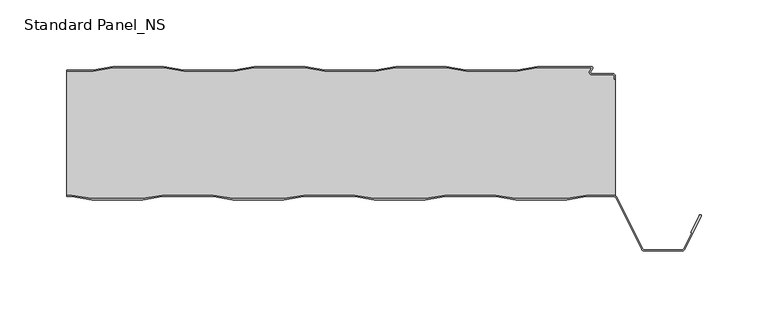
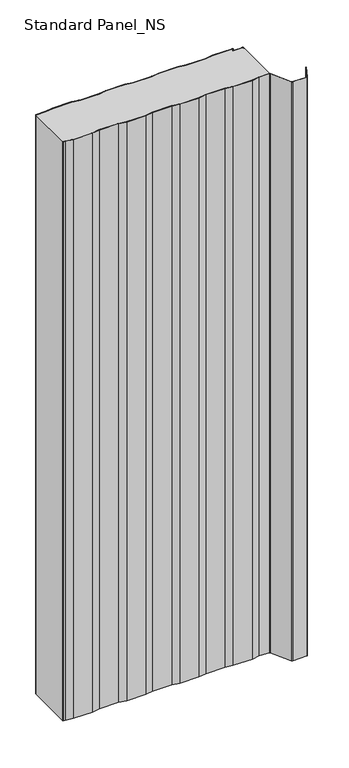
"""IFC4 building model written with IfcOpenShell, lengths in millimetres: proxy geometry, Standard Panel_NS."""

from ifc_helpers import new_model, si_unit, point, frame, frame_2d, origin, origin_with_axes, place, context, project, spatial, polyline, circle_curve, trimmed, segment, composite_curve, outline, extrude, source, transform, mapped, element, save
from ifc_brep_helpers import plane_surface, cylinder_surface, revolved_surface, advanced_brep


def standard_panel_ns_71d8a7c0(model_context):
    return source(origin(), model_context, "Body", "SolidModel", [
        extrude(outline(composite_curve([segment(polyline([(-203.6028864, -3.3), (-223.4042607, -3.3), (-223.4042607, -2.5), (-203.6690964, -2.5), (-188.6690964, 0.0), (-150.6690964, 0.0), (-135.6690964, -2.5), (-97.6690964, -2.5), (-82.6690964, 0.0), (-44.6690964, 0.0), (-29.6690964, -2.5), (8.3309036, -2.5), (23.3309036, 0.0), (61.3309036, 0.0), (76.3309036, -2.5), (114.3309036, -2.5), (129.3309036, 0.0), (170.1370388, 0.0)]), True, "CONTINUOUS"), segment(trimmed(circle_curve(frame_2d((170.1370388, -1.0)), 1.0), [point((170.1370388, 0.0))], [point((170.9759217, -1.5443119))], False, "CARTESIAN"), True, "CONTINUOUS"), segment(polyline([(170.9759217, -1.5443119), (169.5409513, -3.7558601)]), True, "CONTINUOUS"), segment(trimmed(circle_curve(frame_2d((170.3798342, -4.3001721)), 1.0), [point((169.5409513, -3.7558601))], [point((170.3798342, -5.3001721))], True, "CARTESIAN"), True, "CONTINUOUS"), segment(polyline([(170.3798342, -5.3001721), (185.9659043, -5.3001721)]), True, "CONTINUOUS"), segment(trimmed(circle_curve(frame_2d((185.9659043, -7.4001714)), 2.0999993), [point((185.9659043, -5.3001721))], [point((188.0659036, -7.4001714))], False, "CARTESIAN"), True, "CONTINUOUS"), segment(polyline([(188.0659036, -7.4001714), (188.0659036, -9.4001722), (187.2659036, -9.4001722), (187.2659036, -7.4001714)]), True, "CONTINUOUS"), segment(trimmed(circle_curve(frame_2d((185.9659043, -7.4001714)), 1.2999993), [point((187.2659036, -7.4001714))], [point((185.9659043, -6.1001721))], True, "CARTESIAN"), True, "CONTINUOUS"), segment(polyline([(185.9659043, -6.1001721), (170.3798342, -6.1001721)]), True, "CONTINUOUS"), segment(trimmed(circle_curve(frame_2d((170.3798342, -4.3001721)), 1.8), [point((170.3798342, -6.1001721))], [point((168.869845, -3.3204106))], False, "CARTESIAN"), True, "CONTINUOUS"), segment(polyline([(168.869845, -3.3204106), (170.5052217, -0.8), (129.3971136, -0.8), (114.3971136, -3.3), (76.2646936, -3.3), (61.2646936, -0.8), (23.3971136, -0.8), (8.3971136, -3.3), (-29.7353064, -3.3), (-44.7353064, -0.8), (-82.6028864, -0.8), (-97.6028864, -3.3), (-135.7353064, -3.3), (-150.7353064, -0.8), (-188.6028864, -0.8), (-203.6028864, -3.3)]), True, "CONTINUOUS")], self_intersect=False)), origin_with_axes(), (0.0, 0.0, 1.0), 1219.2),
        extrude(outline(composite_curve([segment(polyline([(-219.5261524, -97.5), (-223.4042607, -97.5), (-223.4042607, -96.7), (-219.4592357, -96.7), (-204.6198427, -99.2), (-166.5446313, -99.2), (-151.7052383, -96.7), (-113.4592357, -96.7), (-98.6198427, -99.2), (-60.5446313, -99.2), (-45.7052383, -96.7), (-7.4592357, -96.7), (7.3801573, -99.2), (45.4553687, -99.2), (60.2947617, -96.7), (98.5407643, -96.7), (113.3801573, -99.2), (151.4553687, -99.2), (166.2947617, -96.7), (186.5082999, -96.7)]), True, "CONTINUOUS"), segment(trimmed(circle_curve(frame_2d((186.5082999, -99.8)), 3.1), [point((186.5082999, -96.7))], [point((189.28232, -98.4162325))], False, "CARTESIAN"), True, "CONTINUOUS"), segment(polyline([(189.28232, -98.4162325), (208.4846117, -136.910808)]), True, "CONTINUOUS"), segment(trimmed(circle_curve(frame_2d((209.8268795, -136.241243)), 1.5), [point((208.4846117, -136.910808))], [point((209.8268795, -137.741243))], True, "CARTESIAN"), True, "CONTINUOUS"), segment(polyline([(209.8268795, -137.741243), (237.9816419, -137.741243)]), True, "CONTINUOUS"), segment(trimmed(circle_curve(frame_2d((237.9816419, -136.241243)), 1.5), [point((237.9816419, -137.741243))], [point((239.3236176, -136.9113932))], True, "CARTESIAN"), True, "CONTINUOUS"), segment(polyline([(239.3236176, -136.9113932), (245.3896952, -124.7640727), (244.6739749, -124.4066593), (251.018063, -111.7026227)]), True, "CONTINUOUS"), segment(trimmed(circle_curve(frame_2d((251.7337834, -112.0600361)), 0.8), [point((251.018063, -111.7026227))], [point((252.4495038, -112.4174495))], False, "CARTESIAN"), True, "CONTINUOUS"), segment(polyline([(252.4495038, -112.4174495), (240.039338, -137.2688066)]), True, "CONTINUOUS"), segment(trimmed(circle_curve(frame_2d((237.9816419, -136.241243)), 2.3), [point((240.039338, -137.2688066))], [point((237.9816419, -138.541243))], False, "CARTESIAN"), True, "CONTINUOUS"), segment(polyline([(237.9816419, -138.541243), (209.8268795, -138.541243)]), True, "CONTINUOUS"), segment(trimmed(circle_curve(frame_2d((209.8268795, -136.241243)), 2.3), [point((209.8268795, -138.541243))], [point((207.7687355, -137.2679093))], False, "CARTESIAN"), True, "CONTINUOUS"), segment(polyline([(207.7687355, -137.2679093), (188.5664438, -98.7733338)]), True, "CONTINUOUS"), segment(trimmed(circle_curve(frame_2d((186.5082999, -99.8)), 2.3), [point((188.5664438, -98.7733338))], [point((186.5082999, -97.5))], True, "CARTESIAN"), True, "CONTINUOUS"), segment(polyline([(186.5082999, -97.5), (166.3616785, -97.5), (151.5222854, -100.0), (113.3132406, -100.0), (98.4738476, -97.5), (60.3616785, -97.5), (45.5222854, -100.0), (7.3132406, -100.0), (-7.5261524, -97.5), (-45.6383215, -97.5), (-60.4777146, -100.0), (-98.6867594, -100.0), (-113.5261524, -97.5), (-151.6383215, -97.5), (-166.4777146, -100.0), (-204.6867594, -100.0), (-219.5261524, -97.5)]), True, "CONTINUOUS")], self_intersect=False)), origin_with_axes(), (0.0, 0.0, 1.0), 1219.2),
        advanced_brep(
        [(188.136916, -97.1622719, 1219.2), (188.1042607, -9.4, 1219.2), (187.2659036, -9.4, 1219.2), (187.2659036, -7.4001714, 1219.2), (185.9659043, -6.1001721, 1219.2), (170.3798342, -6.1001721, 1219.2), (168.869845, -3.3204106, 1219.2), (170.5052217, -0.8, 1219.2), (129.3971136, -0.8, 1219.2), (114.3971136, -3.3, 1219.2), (76.2646936, -3.3, 1219.2), (61.2646936, -0.8, 1219.2), (23.3971136, -0.8, 1219.2), (8.3971136, -3.3, 1219.2), (-29.7353064, -3.3, 1219.2), (-44.7353064, -0.8, 1219.2), (-82.6028864, -0.8, 1219.2), (-97.6028864, -3.3, 1219.2), (-135.7353064, -3.3, 1219.2), (-150.7353064, -0.8, 1219.2), (-188.6028864, -0.8, 1219.2), (-203.6028864, -3.3, 1219.2), (-223.4042607, -3.3, 1219.2), (-223.4042607, -96.7, 1219.2), (-219.4592357, -96.7, 1219.2), (-204.6198427, -99.2, 1219.2), (-166.5446313, -99.2, 1219.2), (-151.7052383, -96.7, 1219.2), (-113.4592357, -96.7, 1219.2), (-98.6198427, -99.2, 1219.2), (-60.5446313, -99.2, 1219.2), (-45.7052383, -96.7, 1219.2), (-7.4592357, -96.7, 1219.2), (7.3801573, -99.2, 1219.2), (45.4553687, -99.2, 1219.2), (60.2947617, -96.7, 1219.2), (98.5407643, -96.7, 1219.2), (113.3801573, -99.2, 1219.2), (151.4553687, -99.2, 1219.2), (166.2947617, -96.7, 1219.2), (186.5082999, -96.7, 1219.2), (-219.4592357, -96.7, 0.0), (-223.4042607, -96.7, 0.0), (-223.4042607, -3.3, 0.0), (-203.6028864, -3.3, 0.0), (-188.6028864, -0.8, 0.0), (-150.7353064, -0.8, 0.0), (-135.7353064, -3.3, 0.0), (-97.6028864, -3.3, 0.0), (-82.6028864, -0.8, 0.0), (-44.7353064, -0.8, 0.0), (-29.7353064, -3.3, 0.0), (8.3971136, -3.3, 0.0), (23.3971136, -0.8, 0.0), (61.2646936, -0.8, 0.0), (76.2646936, -3.3, 0.0), (114.3971136, -3.3, 0.0), (129.3971136, -0.8, 0.0), (170.5052217, -0.8, 0.0), (168.869845, -3.3204106, 0.0), (170.3798342, -6.1001721, 0.0), (185.9659043, -6.1001721, 0.0), (187.2659036, -7.4001714, 0.0), (187.2659036, -9.4001722, 0.0), (188.1042607, -9.4, 0.0), (188.136916, -97.1622719, 0.0), (186.5082999, -96.7, 0.0), (166.2947617, -96.7, 0.0), (151.4553687, -99.2, 0.0), (113.3801573, -99.2, 0.0), (98.5407643, -96.7, 0.0), (60.2947617, -96.7, 0.0), (45.4553687, -99.2, 0.0), (7.3801573, -99.2, 0.0), (-7.4592357, -96.7, 0.0), (-45.7052383, -96.7, 0.0), (-60.5446313, -99.2, 0.0), (-98.6198427, -99.2, 0.0), (-113.4592357, -96.7, 0.0), (-151.7052383, -96.7, 0.0), (-166.5446313, -99.2, 0.0), (-204.6198427, -99.2, 0.0)],
        [
            (0, 1),
            (1, 2),
            (2, 3),
            (3, 4, circle_curve(frame((185.9659043, -7.4001714, 1219.2), z_axis=(0.0, 0.0, 1.0), x_axis=(-1.0, 0.0, 0.0)), 1.2999993)),
            (4, 5),
            (5, 6, circle_curve(frame((170.3798342, -4.3001721, 1219.2), z_axis=(0.0, 0.0, -1.0), x_axis=(-1.0, 0.0, 0.0)), 1.8)),
            (6, 7),
            (7, 8),
            (8, 9),
            (9, 10),
            (10, 11),
            (11, 12),
            (12, 13),
            (13, 14),
            (14, 15),
            (15, 16),
            (16, 17),
            (17, 18),
            (18, 19),
            (19, 20),
            (20, 21),
            (21, 22),
            (22, 23),
            (23, 24),
            (24, 25),
            (25, 26),
            (26, 27),
            (27, 28),
            (28, 29),
            (29, 30),
            (30, 31),
            (31, 32),
            (32, 33),
            (33, 34),
            (34, 35),
            (35, 36),
            (36, 37),
            (37, 38),
            (38, 39),
            (39, 40),
            (40, 0, circle_curve(frame((186.5082999, -99.8, 1219.2), z_axis=(0.0, 0.0, -1.0), x_axis=(-1.0, 0.0, 0.0)), 3.1)),
            (41, 42),
            (42, 43),
            (43, 44),
            (44, 45),
            (45, 46),
            (46, 47),
            (47, 48),
            (48, 49),
            (49, 50),
            (50, 51),
            (51, 52),
            (52, 53),
            (53, 54),
            (54, 55),
            (55, 56),
            (56, 57),
            (57, 58),
            (58, 59),
            (59, 60, circle_curve(frame((170.3798342, -4.3001721, 0.0), z_axis=(0.0, 0.0, 1.0), x_axis=(-1.0, 0.0, 0.0)), 1.8)),
            (60, 61),
            (61, 62, circle_curve(frame((185.9659043, -7.4001714, 0.0), z_axis=(0.0, 0.0, -1.0), x_axis=(-1.0, 0.0, 0.0)), 1.2999993)),
            (62, 63),
            (63, 64),
            (64, 65),
            (65, 66, circle_curve(frame((186.5082999, -99.8, 0.0), z_axis=(0.0, 0.0, 1.0), x_axis=(-1.0, 0.0, 0.0)), 3.1)),
            (66, 67),
            (67, 68),
            (68, 69),
            (69, 70),
            (70, 71),
            (71, 72),
            (72, 73),
            (73, 74),
            (74, 75),
            (75, 76),
            (76, 77),
            (77, 78),
            (78, 79),
            (79, 80),
            (80, 81),
            (81, 41),
            (64, 1),
            (0, 65),
            (40, 66),
            (39, 67),
            (38, 68),
            (37, 69),
            (36, 70),
            (35, 71),
            (34, 72),
            (33, 73),
            (32, 74),
            (31, 75),
            (30, 76),
            (29, 77),
            (28, 78),
            (27, 79),
            (26, 80),
            (25, 81),
            (24, 41),
            (23, 42),
            (63, 2),
            (43, 22),
            (21, 44),
            (20, 45),
            (19, 46),
            (18, 47),
            (17, 48),
            (16, 49),
            (15, 50),
            (14, 51),
            (13, 52),
            (12, 53),
            (11, 54),
            (10, 55),
            (9, 56),
            (8, 57),
            (7, 58),
            (6, 59),
            (5, 60),
            (4, 61),
            (3, 62),
        ],
        [
            plane_surface(frame((-276.0957393, -99.2, 1219.2), z_axis=(0.0, 0.0, 1.0), x_axis=(0.0, -1.0, 0.0))),
            plane_surface(frame((-276.0957393, -99.2, 0.0), z_axis=(0.0, 0.0, -1.0), x_axis=(0.0, -1.0, 0.0))),
            plane_surface(frame((188.136916, -94.25, 1219.2), z_axis=(1.0, 0.0, 0.0), x_axis=(0.0, 0.0, -1.0))),
            revolved_surface(polyline([(183.4082999, -99.8, 0.0), (183.4082999, -99.8, 1219.2)]), (186.5082999, -99.8, 1219.2), (0.0, 0.0, -1.0)),
            plane_surface(frame((186.5082999, -96.7, 1219.2), z_axis=(0.0, -1.0, 0.0), x_axis=(0.0, 0.0, -1.0))),
            plane_surface(frame((166.2947617, -96.7, 1219.2), z_axis=(0.16612942863435848, -0.9861039564577467, 0.0), x_axis=(0.0, 0.0, -1.0))),
            plane_surface(frame((151.4553687, -99.2, 1219.2), z_axis=(0.0, -1.0, 0.0), x_axis=(0.0, 0.0, -1.0))),
            plane_surface(frame((113.3801573, -99.2, 1219.2), z_axis=(-0.16612942863454067, -0.9861039564577161, 0.0), x_axis=(0.0, 0.0, -1.0))),
            plane_surface(frame((98.5407643, -96.7, 1219.2), z_axis=(0.0, -1.0, 0.0), x_axis=(0.0, 0.0, -1.0))),
            plane_surface(frame((60.2947617, -96.7, 1219.2), z_axis=(0.1661294286345235, -0.986103956457719, 0.0), x_axis=(0.0, 0.0, -1.0))),
            plane_surface(frame((45.4553687, -99.2, 1219.2), z_axis=(0.0, -1.0, 0.0), x_axis=(0.0, 0.0, -1.0))),
            plane_surface(frame((7.3801573, -99.2, 1219.2), z_axis=(-0.16612942863454067, -0.9861039564577161, 0.0), x_axis=(0.0, 0.0, -1.0))),
            plane_surface(frame((-7.4592357, -96.7, 1219.2), z_axis=(0.0, -1.0, 0.0), x_axis=(0.0, 0.0, -1.0))),
            plane_surface(frame((-45.7052383, -96.7, 1219.2), z_axis=(0.16612942863435848, -0.9861039564577467, 0.0), x_axis=(0.0, 0.0, -1.0))),
            plane_surface(frame((-60.5446313, -99.2, 1219.2), z_axis=(0.0, -1.0, 0.0), x_axis=(0.0, 0.0, -1.0))),
            plane_surface(frame((-98.6198427, -99.2, 1219.2), z_axis=(-0.16612942863472926, -0.9861039564576843, 0.0), x_axis=(0.0, 0.0, -1.0))),
            plane_surface(frame((-113.4592357, -96.7, 1219.2), z_axis=(0.0, -1.0, 0.0), x_axis=(0.0, 0.0, -1.0))),
            plane_surface(frame((-151.7052383, -96.7, 1219.2), z_axis=(0.1661294286345235, -0.986103956457719, 0.0), x_axis=(0.0, 0.0, -1.0))),
            plane_surface(frame((-166.5446313, -99.2, 1219.2), z_axis=(0.0, -1.0, 0.0), x_axis=(0.0, 0.0, -1.0))),
            plane_surface(frame((-204.6198427, -99.2, 1219.2), z_axis=(-0.16612942863435204, -0.9861039564577478, 0.0), x_axis=(0.0, 0.0, -1.0))),
            plane_surface(frame((-219.4592357, -96.7, 1219.2), z_axis=(0.0, -1.0, 0.0), x_axis=(0.0, 0.0, -1.0))),
            plane_surface(frame((-811.8956486, -9.4, 1219.2), z_axis=(0.0, 1.0, 0.0), x_axis=(0.0, 0.0, -1.0))),
            plane_surface(frame((-241.7353064, -3.3, 1219.2), z_axis=(0.0, 1.0, 0.0), x_axis=(0.0, 0.0, -1.0))),
            plane_surface(frame((-203.6028864, -3.3, 1219.2), z_axis=(-0.1643989873053467, 0.9863939238321456, 0.0), x_axis=(0.0, 0.0, -1.0))),
            plane_surface(frame((-188.6028864, -0.8, 1219.2), z_axis=(0.0, 1.0, 0.0), x_axis=(0.0, 0.0, -1.0))),
            plane_surface(frame((-150.7353064, -0.8, 1219.2), z_axis=(0.1643989873053679, 0.9863939238321421, 0.0), x_axis=(0.0, 0.0, -1.0))),
            plane_surface(frame((-135.7353064, -3.3, 1219.2), z_axis=(0.0, 1.0, 0.0), x_axis=(0.0, 0.0, -1.0))),
            plane_surface(frame((-97.6028864, -3.3, 1219.2), z_axis=(-0.1643989873053467, 0.9863939238321456, 0.0), x_axis=(0.0, 0.0, -1.0))),
            plane_surface(frame((-82.6028864, -0.8, 1219.2), z_axis=(0.0, 1.0, 0.0), x_axis=(0.0, 0.0, -1.0))),
            plane_surface(frame((-44.7353064, -0.8, 1219.2), z_axis=(0.16439898730518315, 0.9863939238321728, 0.0), x_axis=(0.0, 0.0, -1.0))),
            plane_surface(frame((-29.7353064, -3.3, 1219.2), z_axis=(0.0, 1.0, 0.0), x_axis=(0.0, 0.0, -1.0))),
            plane_surface(frame((8.3971136, -3.3, 1219.2), z_axis=(-0.1643989873053467, 0.9863939238321456, 0.0), x_axis=(0.0, 0.0, -1.0))),
            plane_surface(frame((23.3971136, -0.8, 1219.2), z_axis=(0.0, 1.0, 0.0), x_axis=(0.0, 0.0, -1.0))),
            plane_surface(frame((61.2646936, -0.8, 1219.2), z_axis=(0.1643989873053679, 0.9863939238321421, 0.0), x_axis=(0.0, 0.0, -1.0))),
            plane_surface(frame((76.2646936, -3.3, 1219.2), z_axis=(0.0, 1.0, 0.0), x_axis=(0.0, 0.0, -1.0))),
            plane_surface(frame((114.3971136, -3.3, 1219.2), z_axis=(-0.16439898730516195, 0.9863939238321764, 0.0), x_axis=(0.0, 0.0, -1.0))),
            plane_surface(frame((129.3971136, -0.8, 1219.2), z_axis=(0.0, 1.0, 0.0), x_axis=(0.0, 0.0, -1.0))),
            plane_surface(frame((170.5052217, -0.8, 1219.2), z_axis=(0.8388828900539764, -0.5443119480359477, 0.0), x_axis=(0.0, 0.0, -1.0))),
            revolved_surface(polyline([(168.5798342, -4.3001721, 0.0), (168.5798342, -4.3001721, 1219.2)]), (170.3798342, -4.3001721, 1219.2), (0.0, 0.0, -1.0)),
            plane_surface(frame((170.3798342, -6.1001721, 1219.2), z_axis=(0.0, 1.0, 0.0), x_axis=(0.0, 0.0, -1.0))),
            cylinder_surface(frame((185.9659043, -7.4001714, 1219.2), z_axis=(0.0, 0.0, 1.0), x_axis=(-1.0, 0.0, 0.0)), 1.2999993),
            plane_surface(frame((187.2659036, -7.4001714, 1219.2), z_axis=(1.0, 0.0, 0.0), x_axis=(0.0, 0.0, -1.0))),
            plane_surface(frame((-223.4042607, 30.0, 1219.2), z_axis=(-1.0, 0.0, 0.0), x_axis=(0.0, 0.0, -1.0))),
        ],
        [
            (0, [[1, 2, 3, 4, 5, 6, 7, 8, 9, 10, 11, 12, 13, 14, 15, 16, 17, 18, 19, 20, 21, 22, 23, 24, 25, 26, 27, 28, 29, 30, 31, 32, 33, 34, 35, 36, 37, 38, 39, 40, 41]]),
            (1, [[42, 43, 44, 45, 46, 47, 48, 49, 50, 51, 52, 53, 54, 55, 56, 57, 58, 59, 60, 61, 62, 63, 64, 65, 66, 67, 68, 69, 70, 71, 72, 73, 74, 75, 76, 77, 78, 79, 80, 81, 82]]),
            (2, [[-65, 83, -1, 84]]),
            (3, [[85, -66, -84, -41]]),
            (4, [[86, -67, -85, -40]]),
            (5, [[87, -68, -86, -39]]),
            (6, [[88, -69, -87, -38]]),
            (7, [[89, -70, -88, -37]]),
            (8, [[90, -71, -89, -36]]),
            (9, [[91, -72, -90, -35]]),
            (10, [[92, -73, -91, -34]]),
            (11, [[93, -74, -92, -33]]),
            (12, [[94, -75, -93, -32]]),
            (13, [[95, -76, -94, -31]]),
            (14, [[96, -77, -95, -30]]),
            (15, [[97, -78, -96, -29]]),
            (16, [[98, -79, -97, -28]]),
            (17, [[99, -80, -98, -27]]),
            (18, [[100, -81, -99, -26]]),
            (19, [[101, -82, -100, -25]]),
            (20, [[-24, 102, -42, -101]]),
            (21, [[-64, 103, -2, -83]]),
            (22, [[-44, 104, -22, 105]]),
            (23, [[106, -45, -105, -21]]),
            (24, [[107, -46, -106, -20]]),
            (25, [[108, -47, -107, -19]]),
            (26, [[109, -48, -108, -18]]),
            (27, [[110, -49, -109, -17]]),
            (28, [[111, -50, -110, -16]]),
            (29, [[112, -51, -111, -15]]),
            (30, [[113, -52, -112, -14]]),
            (31, [[114, -53, -113, -13]]),
            (32, [[115, -54, -114, -12]]),
            (33, [[116, -55, -115, -11]]),
            (34, [[117, -56, -116, -10]]),
            (35, [[118, -57, -117, -9]]),
            (36, [[119, -58, -118, -8]]),
            (37, [[120, -59, -119, -7]]),
            (38, [[121, -60, -120, -6]]),
            (39, [[122, -61, -121, -5]]),
            (40, [[123, -62, -122, -4]]),
            (41, [[-103, -63, -123, -3]]),
            (42, [[-104, -43, -102, -23]]),
        ],
    ),
    ])


if __name__ == "__main__":
    model = new_model("IFC4")
    model_context = context("Model", 3, world=origin())
    ifc_project = project(units=[si_unit("LENGTHUNIT", "METRE", prefix="MILLI")], contexts=[model_context])
    site = spatial("IfcSite", under=ifc_project)
    building = spatial("IfcBuilding", under=site)
    placement = place(None, origin())
    standard_panel_ns_shape = standard_panel_ns_71d8a7c0(model_context)
    element("IfcBuildingElementProxy", 1, Name="Standard Panel_NS", ObjectType="Standard Panel_NS", at=placement, inside=building, context=model_context, shape_type="MappedRepresentation", body=[
        mapped(standard_panel_ns_shape, transform((0.0, 0.0, 0.0), x_axis=(1.0, 0.0, 0.0), y_axis=(0.0, 1.0, 0.0), z_axis=(0.0, 0.0, 1.0))),
    ])
    save(model, "model.ifc")
